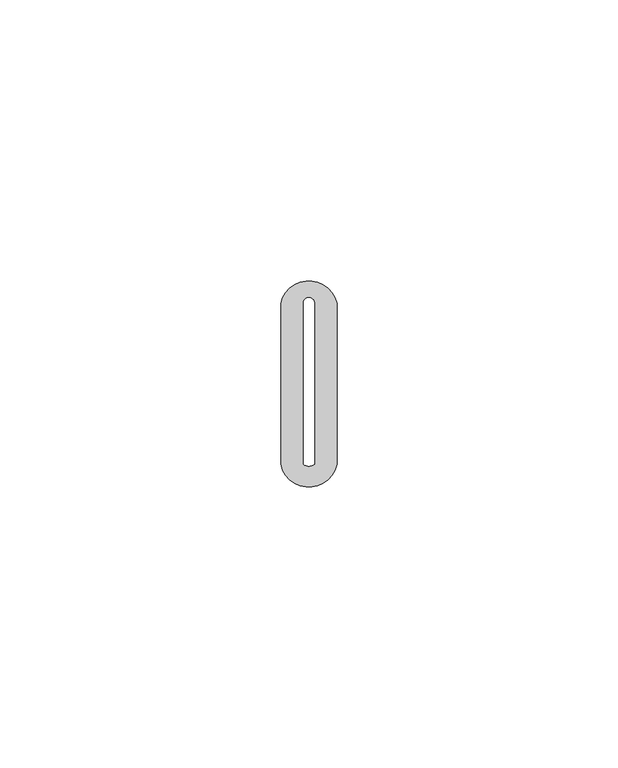
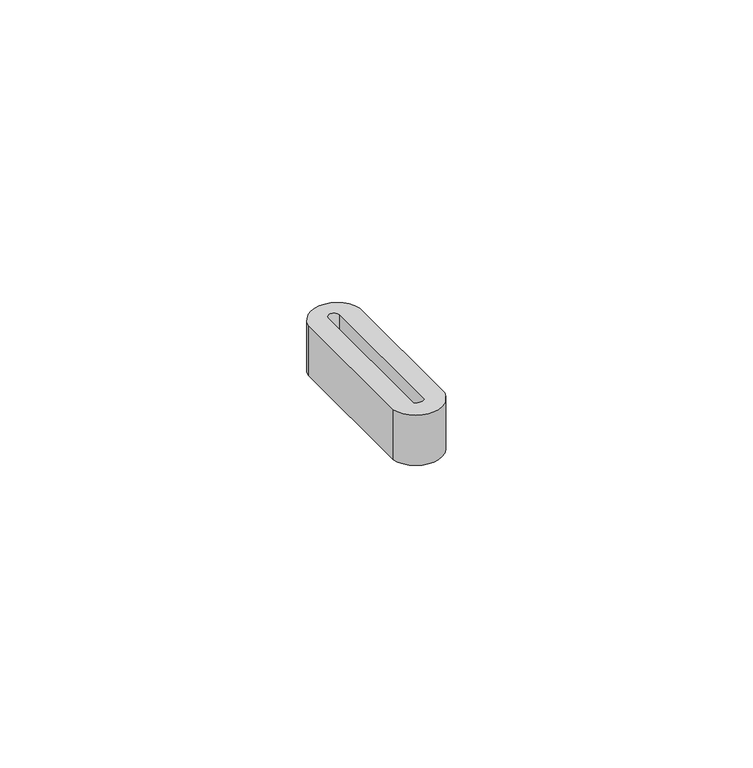
"""IFC4 building model written with IfcOpenShell, lengths in millimetres: proxy geometry."""

from ifc_helpers import new_model, si_unit, point, frame_2d, origin, origin_with_axes, place, context, project, spatial, polyline, circle_curve, trimmed, segment, composite_curve, outline, extrude, source, transform, mapped, element, save


def generic_models_530061a3(model_context):
    return source(origin(), model_context, "Body", "SweptSolid", [
        extrude(outline(composite_curve([segment(polyline([(-5.0, 7.8896885), (-5.0, 36.5474794)]), True, "CONTINUOUS"), segment(trimmed(circle_curve(frame_2d((0.0, 35.4224794)), 5.125), [point((-5.0, 36.5474794))], [point((5.0, 36.5474794))], False, "CARTESIAN"), True, "CONTINUOUS"), segment(polyline([(5.0, 36.5474794), (5.0, 7.8896885)]), True, "CONTINUOUS"), segment(trimmed(circle_curve(frame_2d((0.0, 8.9616802)), 5.1136255), [point((5.0, 7.8896885))], [point((-5.0, 7.8896885))], False, "CARTESIAN"), True, "CONTINUOUS")], self_intersect=False), holes=[composite_curve([segment(trimmed(circle_curve(frame_2d((0.0, 9.1796787)), 1.6321993), [point((-1.0, 7.8896885))], [point((1.0, 7.8896885))], True, "CARTESIAN"), True, "CONTINUOUS"), segment(polyline([(1.0, 7.8896885), (1.0, 36.5553372)]), True, "CONTINUOUS"), segment(trimmed(circle_curve(frame_2d((0.0, 36.5553372)), 1.0), [point((1.0, 36.5553372))], [point((-1.0, 36.5553372))], True, "CARTESIAN"), True, "CONTINUOUS"), segment(polyline([(-1.0, 36.5553372), (-1.0, 7.8896885)]), True, "CONTINUOUS")], self_intersect=False)]), origin_with_axes(), (0.0, 0.0, 1.0), 10.326106),
    ])


if __name__ == "__main__":
    model = new_model("IFC4")
    model_context = context("Model", 3, world=origin())
    ifc_project = project(units=[si_unit("LENGTHUNIT", "METRE", prefix="MILLI")], contexts=[model_context])
    site = spatial("IfcSite", under=ifc_project)
    building = spatial("IfcBuilding", under=site)
    placement = place(None, origin())
    generic_models_shape = generic_models_530061a3(model_context)
    element("IfcBuildingElementProxy", 1, Name="Generic Models", at=placement, inside=building, context=model_context, shape_type="MappedRepresentation", body=[
        mapped(generic_models_shape, transform((0.0, 0.0, 0.0), x_axis=(1.0, 0.0, 0.0), y_axis=(0.0, 1.0, 0.0), z_axis=(0.0, 0.0, 1.0))),
    ])
    save(model, "model.ifc")
